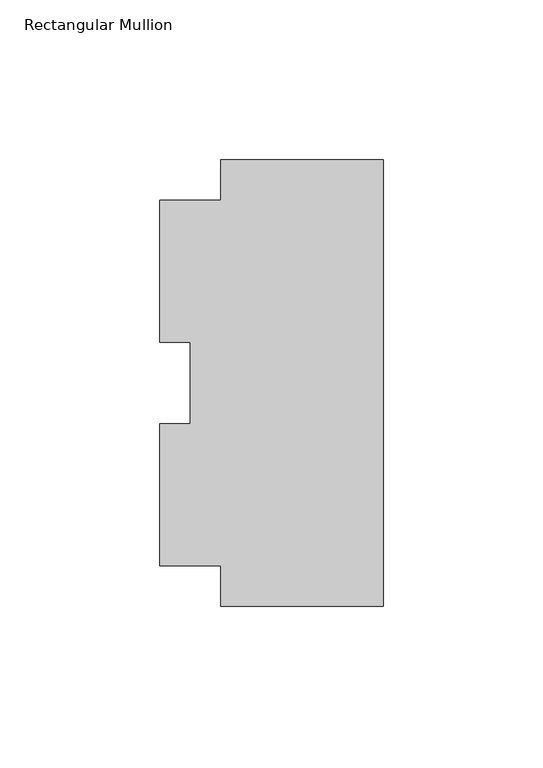
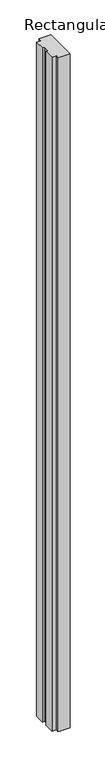
"""IFC4 building model written with IfcOpenShell, lengths in millimetres: member geometry, Rectangular Mullion."""

from ifc_helpers import new_model, si_unit, frame, origin, place, context, project, spatial, polyline, outline, extrude, source, transform, mapped, element, save


def rectangular_mullion_d3ebee2f(model_context):
    return source(origin(), model_context, "Body", "SweptSolid", [
        extrude(outline(polyline([(-50.8023955, -69.85), (-50.8023955, -57.1499365), (-69.85, -57.1499365), (-69.85, -12.7326322), (-60.325, -12.7326322), (-60.325, 12.7550661), (-69.85, 12.7550661), (-69.85, 57.1500635), (-50.7746, 57.1500635), (-50.7746, 69.8500635), (0.0, 69.8500635), (0.0, -69.85), (-50.8023955, -69.85)])), frame((0.0, 0.0, -3048.0), z_axis=(0.0, 0.0, 1.0), x_axis=(1.0, 0.0, 0.0)), (0.0, 0.0, 1.0), 3048.0),
    ])


if __name__ == "__main__":
    model = new_model("IFC4")
    model_context = context("Model", 3, world=origin())
    ifc_project = project(units=[si_unit("LENGTHUNIT", "METRE", prefix="MILLI")], contexts=[model_context])
    site = spatial("IfcSite", under=ifc_project)
    building = spatial("IfcBuilding", under=site)
    placement = place(None, origin())
    rectangular_mullion_shape = rectangular_mullion_d3ebee2f(model_context)
    element("IfcMember", 1, ObjectType="Rectangular Mullion", at=placement, inside=building, context=model_context, shape_type="MappedRepresentation", body=[
        mapped(rectangular_mullion_shape, transform((0.0, 0.0, 0.0), x_axis=(1.0, 0.0, 0.0), y_axis=(0.0, 1.0, 0.0), z_axis=(0.0, 0.0, 1.0))),
    ])
    save(model, "model.ifc")
